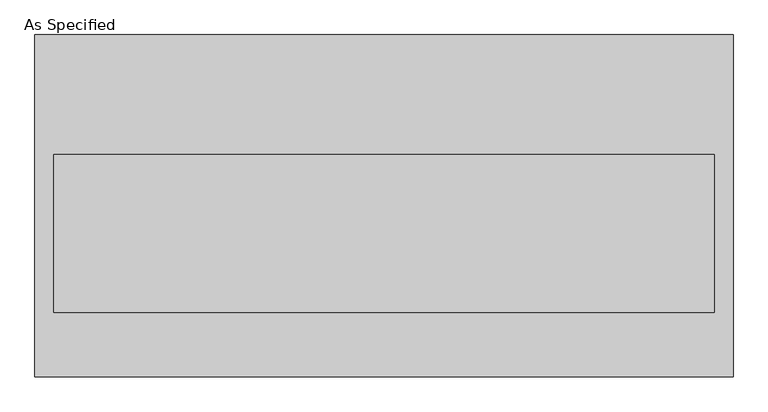
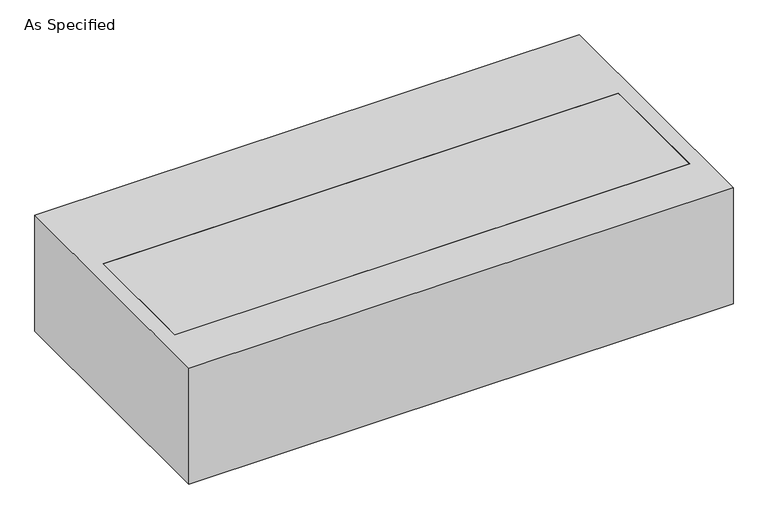
"""IFC4 building model written with IfcOpenShell, lengths in millimetres: proxy geometry, As Specified."""

import ifcopenshell
import ifcopenshell.guid

model = None  # the IFC model being written
_history = None  # IfcOwnerHistory: only IFC2X3 demands one
_inside = {}  # id of a spatial element -> (the spatial element, [elements in it])
_under = {}  # id of a project, library or spatial element -> (it, [spatial elements below it])
_declared = {}  # id of a project -> (the project, [libraries it declares])
_typed = {}  # id of a type object -> (the type object, [elements of that type])
_made_of = {}  # id of a material, layer set ... -> (it, [elements and type objects made of it])


def new_model(schema):
    """Start an empty IFC model of exactly this schema.

    Asked for "IFC4X3", IfcOpenShell would pick the latest addendum, in which some entities
    have other attributes; the version numbers below select the first issue.
    IFC2X3 requires an IfcOwnerHistory on every rooted entity: one is made here for all.
    """
    global model, _history
    if schema == "IFC4X3":
        model = ifcopenshell.file(schema_version=(4, 3, 0, 0))
    else:
        model = ifcopenshell.file(schema=schema)
    _inside.clear()
    _under.clear()
    _declared.clear()
    _typed.clear()
    _made_of.clear()
    _history = None
    if model.schema == "IFC2X3":
        org = make("IfcOrganization", Name="unknown")
        user = make(
            "IfcPersonAndOrganization",
            ThePerson=make("IfcPerson", FamilyName="unknown"),
            TheOrganization=org,
        )
        app = make(
            "IfcApplication",
            ApplicationDeveloper=org,
            Version="unknown",
            ApplicationFullName="unknown",
            ApplicationIdentifier="unknown",
        )
        _history = make(
            "IfcOwnerHistory",
            OwningUser=user,
            OwningApplication=app,
            ChangeAction="ADDED",
            CreationDate=0,
        )
    return model


def make(cls, **values):
    """One entity of the class cls with the attributes given. An attribute that is None is left unset."""
    return model.create_entity(
        cls, **{name: value for name, value in values.items() if value is not None}
    )


def rooted(cls, **values):
    """An entity with a GlobalId (a new one), such as an element, a storey or a relation."""
    return make(cls, GlobalId=ifcopenshell.guid.new(), OwnerHistory=_history, **values)


def si_unit(unit_type, name, prefix=None):
    """IfcSIUnit, for example si_unit("LENGTHUNIT", "METRE", prefix="MILLI")."""
    return make("IfcSIUnit", UnitType=unit_type, Prefix=prefix, Name=name)


def assignment(units):
    """IfcUnitAssignment: the units of a project."""
    return None if units is None else make("IfcUnitAssignment", Units=units)


def point(xyz):
    """IfcCartesianPoint."""
    return None if xyz is None else make("IfcCartesianPoint", Coordinates=xyz)


def direction(xyz):
    """IfcDirection."""
    return None if xyz is None else make("IfcDirection", DirectionRatios=xyz)


def frame(location, z_axis=None, x_axis=None):
    """IfcAxis2Placement3D, a coordinate frame: its origin and axes. An axis left out is left unset."""
    return make(
        "IfcAxis2Placement3D",
        Location=point(location),
        Axis=direction(z_axis),
        RefDirection=direction(x_axis),
    )


def origin():
    """The frame at (0, 0, 0) with its axes left unset."""
    return frame((0.0, 0.0, 0.0))


def place(relative_to, where):
    """IfcLocalPlacement: puts the frame where relative to a parent placement (None: the world)."""
    return make(
        "IfcLocalPlacement", PlacementRelTo=relative_to, RelativePlacement=where
    )


def context(
    kind, dimensions, precision=None, world=None, true_north=None, identifier=None
):
    """IfcGeometricRepresentationContext, for example the 3D "Model" context."""
    return make(
        "IfcGeometricRepresentationContext",
        ContextIdentifier=identifier,
        ContextType=kind,
        CoordinateSpaceDimension=dimensions,
        Precision=precision,
        WorldCoordinateSystem=world,
        TrueNorth=true_north,
    )


def project(units=None, contexts=None):
    """IfcProject with its units and contexts."""
    return rooted(
        "IfcProject",
        Name="project",
        RepresentationContexts=contexts,
        UnitsInContext=assignment(units),
    )


def spatial(cls, under=None, at=None, **own):
    """A site, building, storey or space (cls), placed at a placement, below another one or the project."""
    s = rooted(cls, ObjectPlacement=at, **own)
    if under is not None:
        _under.setdefault(under.id(), (under, []))[1].append(s)
    return s


def polyline(points):
    """IfcPolyline through the points."""
    return make("IfcPolyline", Points=[point(p) for p in points])


def outline(outer, holes=None, kind="AREA"):
    """IfcArbitraryClosedProfileDef: a profile drawn as a closed curve; with holes, ...WithVoids."""
    if holes is None:
        return make("IfcArbitraryClosedProfileDef", ProfileType=kind, OuterCurve=outer)
    return make(
        "IfcArbitraryProfileDefWithVoids",
        ProfileType=kind,
        OuterCurve=outer,
        InnerCurves=holes,
    )


def extrude(swept, where, along, depth):
    """IfcExtrudedAreaSolid: the profile swept, set in the frame where, extruded along a direction by depth."""
    return make(
        "IfcExtrudedAreaSolid",
        SweptArea=swept,
        Position=where,
        ExtrudedDirection=direction(along),
        Depth=depth,
    )


def shape(context_of_items, identifier, shape_type, items):
    """IfcShapeRepresentation: the items that make up one representation, for example the "Body"."""
    return make(
        "IfcShapeRepresentation",
        ContextOfItems=context_of_items,
        RepresentationIdentifier=identifier,
        RepresentationType=shape_type,
        Items=items,
    )


def source(mapping_origin, context_of_items, identifier, shape_type, items):
    """IfcRepresentationMap: a shape defined once, which mapped items show again and again."""
    return make(
        "IfcRepresentationMap",
        MappingOrigin=mapping_origin,
        MappedRepresentation=shape(context_of_items, identifier, shape_type, items),
    )


def transform(
    local_origin,
    x_axis=None,
    y_axis=None,
    z_axis=None,
    scale=None,
    scale2=None,
    scale3=None,
    uniform=True,
):
    """IfcCartesianTransformationOperator3D, or its non-uniform kind. x_axis, y_axis, z_axis: its Axis1, 2, 3."""
    if uniform:
        return make(
            "IfcCartesianTransformationOperator3D",
            Axis1=direction(x_axis),
            Axis2=direction(y_axis),
            LocalOrigin=point(local_origin),
            Scale=scale,
            Axis3=direction(z_axis),
        )
    return make(
        "IfcCartesianTransformationOperator3DnonUniform",
        Axis1=direction(x_axis),
        Axis2=direction(y_axis),
        LocalOrigin=point(local_origin),
        Scale=scale,
        Axis3=direction(z_axis),
        Scale2=scale2,
        Scale3=scale3,
    )


def mapped(mapping_source, mapping_target):
    """IfcMappedItem: shows the shape of a source again, moved by a transform."""
    return make(
        "IfcMappedItem", MappingSource=mapping_source, MappingTarget=mapping_target
    )


def made_of(thing, what):
    """Note that an element or type object is made of a material, layer set ...; save() writes the relation."""
    if what is not None:
        _made_of.setdefault(what.id(), (what, []))[1].append(thing)
    return thing


def element(
    cls,
    number,
    at=None,
    inside=None,
    cuts=None,
    type_object=None,
    material=None,
    context=None,
    identifier="Body",
    shape_type=None,
    held_by="IfcProductDefinitionShape",
    body=None,
    shapes=None,
    **own,
):
    """One element of the class cls, such as IfcWall. Its Tag is "e" and its number.

    at: its placement. inside: the storey or other place that contains it. cuts: it is an
    opening in that element (IfcRelVoidsElement). A single representation is given by context,
    identifier, shape_type and body (its items); several are given by shapes. held_by: the class
    of the entity that holds the representations. save() writes the other relations.
    """
    e = rooted(cls, Tag="e%d" % number, ObjectPlacement=at, **own)
    if body is not None:
        shapes = [shape(context, identifier, shape_type, body)]
    if shapes is not None:
        e.Representation = make(held_by, Representations=shapes)
    if inside is not None:
        _inside.setdefault(inside.id(), (inside, []))[1].append(e)
    if cuts is not None:
        rooted(
            "IfcRelVoidsElement", RelatingBuildingElement=cuts, RelatedOpeningElement=e
        )
    if type_object is not None:
        _typed.setdefault(type_object.id(), (type_object, []))[1].append(e)
    return made_of(e, material)


def aggregate(whole, parts):
    """IfcRelAggregates: a whole, such as a stair, and the parts it consists of."""
    return rooted("IfcRelAggregates", RelatingObject=whole, RelatedObjects=parts)


def save(model, path):
    """Write the relations noted so far, then the file.

    IfcRelAggregates (storeys below a building ...), IfcRelContainedInSpatialStructure (elements
    in a storey), IfcRelDefinesByType, IfcRelAssociatesMaterial and IfcRelDeclares: one each for
    every whole, place, type object, material and project.
    """
    for whole, parts in _under.values():
        aggregate(whole, parts)
    for where, things in _inside.values():
        rooted(
            "IfcRelContainedInSpatialStructure",
            RelatedElements=things,
            RelatingStructure=where,
        )
    for kind, things in _typed.values():
        rooted("IfcRelDefinesByType", RelatedObjects=things, RelatingType=kind)
    for what, things in _made_of.values():
        rooted("IfcRelAssociatesMaterial", RelatedObjects=things, RelatingMaterial=what)
    for by, libraries in _declared.values():
        rooted("IfcRelDeclares", RelatingContext=by, RelatedDefinitions=libraries)
    model.write(path)


def as_specified_f446b2c6(model_context):
    return source(origin(), model_context, "Body", "SweptSolid", [
        extrude(outline(polyline([(-1120.775, -549.275), (-1120.775, 549.275), (1120.775, 549.275), (1120.775, -549.275), (-1120.775, -549.275)]), holes=[polyline([(1060.45, 165.1), (-1060.45, 165.1), (-1060.45, -342.9), (1060.45, -342.9), (1060.45, 165.1)])]), frame((0.0, 0.0, -530.225), z_axis=(0.0, 0.0, 1.0), x_axis=(1.0, 0.0, 0.0)), (0.0, 0.0, 1.0), 504.825),
        extrude(outline(polyline([(1060.45, 165.1), (1060.45, -342.9), (-1060.45, -342.9), (-1060.45, 165.1), (1060.45, 165.1)])), frame((0.0, 0.0, -530.225), z_axis=(0.0, 0.0, 1.0), x_axis=(1.0, 0.0, 0.0)), (0.0, 0.0, 1.0), 504.825),
    ])


if __name__ == "__main__":
    model = new_model("IFC4")
    model_context = context("Model", 3, world=origin())
    ifc_project = project(units=[si_unit("LENGTHUNIT", "METRE", prefix="MILLI")], contexts=[model_context])
    site = spatial("IfcSite", under=ifc_project)
    building = spatial("IfcBuilding", under=site)
    placement = place(None, origin())
    as_specified_shape = as_specified_f446b2c6(model_context)
    element("IfcBuildingElementProxy", 1, Name="As Specified", ObjectType="As Specified", at=placement, inside=building, context=model_context, shape_type="MappedRepresentation", body=[
        mapped(as_specified_shape, transform((0.0, 0.0, 0.0), x_axis=(1.0, 0.0, 0.0), y_axis=(0.0, 1.0, 0.0), z_axis=(0.0, 0.0, 1.0))),
    ])
    save(model, "model.ifc")
